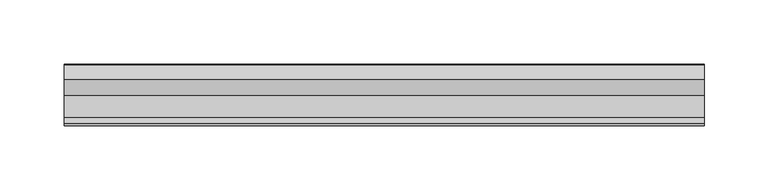
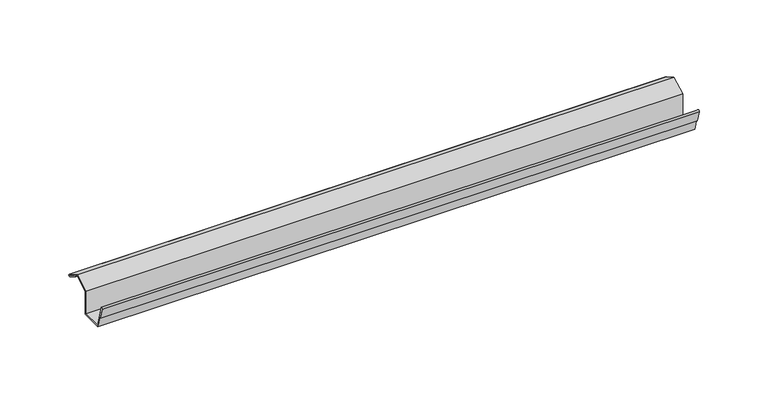
"""IFC4 building model written with IfcOpenShell, lengths in millimetres: proxy geometry."""

from ifc_helpers import new_model, si_unit, point, frame, frame_2d, origin, place, context, project, spatial, polyline, circle_curve, trimmed, segment, composite_curve, outline, extrude, source, transform, mapped, element, save


def generic_models_02a0375d(model_context):
    return source(origin(), model_context, "Body", "SweptSolid", [
        extrude(outline(composite_curve([segment(polyline([(-46.604626, 19.647926), (-41.5275445, 0.7), (-24.3908409, 0.7), (-24.3908409, 20.5004341), (-11.9208269, 27.7), (-0.4124967, 21.0556624)]), True, "CONTINUOUS"), segment(trimmed(circle_curve(frame_2d((-0.8249967, 20.3411915)), 0.825), [point((-0.4124967, 21.0556624))], [point((-1.2374967, 19.6267205))], False, "CARTESIAN"), True, "CONTINUOUS"), segment(polyline([(-1.2374967, 19.6267205), (-9.8977507, 24.6267205), (-9.4977507, 25.3195408), (-0.8374967, 20.3195408), (-11.823474, 26.8324463), (-23.611208, 20.0267949), (-23.611208, 0.0), (-42.1681661, 0.0), (-47.3592919, 19.3735454), (-44.9366743, 9.7290909), (-45.7124745, 9.5342155), (-48.3006649, 19.1934738)]), True, "CONTINUOUS"), segment(trimmed(circle_curve(frame_2d((-47.4526454, 19.4206999)), 0.8779344), [point((-48.3006649, 19.1934738))], [point((-46.604626, 19.647926))], False, "CARTESIAN"), True, "CONTINUOUS")], self_intersect=False)), frame((0.0, 0.0, 0.0), z_axis=(1.0, 0.0, 0.0), x_axis=(0.0, 1.0, 0.0)), (0.0, 0.0, 1.0), 500.0),
    ])


if __name__ == "__main__":
    model = new_model("IFC4")
    model_context = context("Model", 3, world=origin())
    ifc_project = project(units=[si_unit("LENGTHUNIT", "METRE", prefix="MILLI")], contexts=[model_context])
    site = spatial("IfcSite", under=ifc_project)
    building = spatial("IfcBuilding", under=site)
    placement = place(None, origin())
    generic_models_shape = generic_models_02a0375d(model_context)
    element("IfcBuildingElementProxy", 1, Name="Generic Models", at=placement, inside=building, context=model_context, shape_type="MappedRepresentation", body=[
        mapped(generic_models_shape, transform((0.0, 0.0, 0.0), x_axis=(1.0, 0.0, 0.0), y_axis=(0.0, 1.0, 0.0), z_axis=(0.0, 0.0, 1.0))),
    ])
    save(model, "model.ifc")
